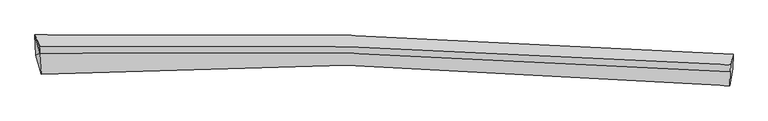
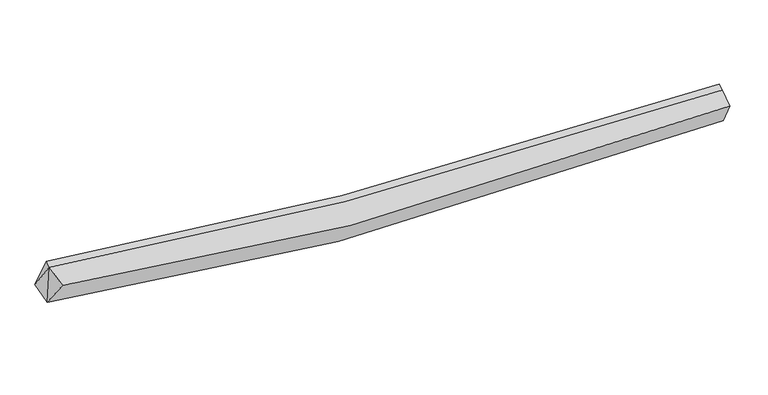
"""IFC4 building model written with IfcOpenShell, lengths in millimetres: proxy geometry."""

from ifc_helpers import new_model, si_unit, frame, origin, place, context, project, spatial, source, transform, mapped, element, save
from ifc_brep_helpers import plane_surface, spline_curve, spline_surface, advanced_brep


def generic_models_ce100534(model_context):
    return source(origin(), model_context, "Body", "AdvancedBrep", [
        advanced_brep(
        [(-6695.2481118, -2009.0366114, 3165.0570354), (-6716.7474438, -1578.6916817, 3327.3457428), (8091.5195666, -1989.1011811, 2621.457448), (8083.3649523, -2300.3959242, 2420.5704192), (-6585.6046797, -2407.8407857, 3764.3379179), (8022.6108575, -2656.6347896, 2996.5936919), (-6618.8905489, -1966.6212272, 3932.7858362), (8030.7268605, -2355.5524458, 3187.3027747), (-6612.6152513, -1824.0394301, 3984.9856242), (8037.002158, -2212.9706486, 3239.5025627)],
        [
            (0, 1),
            (1, 2, spline_curve(3, [(-6716.7474438, -1578.6916817, 3327.3457428), (-4528.917561534, -1532.13263943, 2954.890406806), (-2334.489234124, -1533.589575508, 2701.782912626), (2598.035895056, -1644.458917133, 2402.026065038), (5339.696571428, -1779.805148314, 2419.83746095), (8091.5195666, -1989.1011811, 2621.457448)], [4, 2, 4], [0.0, 21.756738031202506, 48.75708849879149])),
            (2, 3),
            (3, 0, spline_curve(3, [(8083.3649523, -2300.3959242, 2420.5704192), (5303.054916963, -2038.689222218, 2100.556623285), (2551.713817397, -1892.125408547, 2033.860268837), (-2364.3312761, -1835.385669749, 2370.859628515), (-4539.194532135, -1884.829712523, 2685.718188357), (-6695.2481118, -2009.0366114, 3165.0570354)], [4, 2, 4], [0.0, 27.000350467588984, 48.75708849879149])),
            (4, 0),
            (3, 5),
            (5, 4, spline_curve(3, [(8022.6108575, -2656.6347896, 2996.5936919), (5290.35049188, -2388.409103087, 2669.610740582), (2577.86874298, -2243.287429515, 2602.181986278), (-2284.600173855, -2203.528053361, 2949.12108125), (-4441.52360466, -2265.718392767, 3272.464577801), (-6585.6046797, -2407.8407857, 3764.3379179)], [4, 2, 4], [0.0, 26.853506755451075, 48.49191890861179])),
            (6, 4),
            (5, 7),
            (7, 6, spline_curve(3, [(8030.7268605, -2355.5524458, 3187.3027747), (5332.305038087, -2157.458089237, 3009.860028425), (2630.690807106, -2029.30589151, 3006.884608661), (-2253.634557094, -1924.190515589, 3316.563777395), (-4435.226130109, -1922.698973602, 3568.033550916), (-6618.8905489, -1966.6212272, 3932.7858362)], [4, 2, 4], [0.0, 26.70367514544404, 48.22135378843682])),
            (8, 6),
            (7, 9),
            (9, 8, spline_curve(3, [(8037.002158, -2212.9706486, 3239.5025627), (5338.580335571, -2014.876291576, 3062.059815777), (2636.966104497, -1886.724093785, 3059.084396185), (-2247.359259326, -1781.608718812, 3368.763565778), (-4428.950832157, -1780.117176501, 3620.233339038), (-6612.6152513, -1824.0394301, 3984.9856242)], [4, 2, 4], [0.0, 26.71121132951059, 48.234962589326905])),
            (1, 8),
            (9, 2),
            (1, 6),
            (6, 0),
        ],
        [
            spline_surface(3, 3, [[(-6695.2481118, -2009.0366114, 3165.0570354), (-4539.194532105, -1884.829712726, 2685.718188623), (-2364.331276397, -1835.385670026, 2370.859628494), (2551.713817766, -1892.125408203, 2033.860268863), (5303.054916782, -2038.689221795, 2100.556623567), (8083.3649523, -2300.3959242, 2420.5704192)], [(-6702.414555803, -1865.588301513, 3219.153271225), (-4535.768875139, -1767.264021648, 2775.442261443), (-2354.383929005, -1734.786971768, 2481.16738995), (2567.154510258, -1809.569911297, 2156.582200824), (5315.268801771, -1952.394530573, 2206.983569263), (8086.083157067, -2196.631009822, 2487.532762137)], [(-6709.580999797, -1722.139991587, 3273.249506975), (-4532.343218166, -1649.698330532, 2865.166334188), (-2344.436581643, -1634.188273494, 2591.475151406), (2582.59520272, -1727.014414376, 2279.304132784), (5327.48268676, -1866.099839385, 2313.410514947), (8088.801361833, -2092.866095478, 2554.495105063)], [(-6716.7474438, -1578.6916817, 3327.3457428), (-4528.9175612, -1532.132639454, 2954.890407008), (-2334.48923425, -1533.589575236, 2701.782912862), (2598.035895213, -1644.45891747, 2402.026064746), (5339.696571749, -1779.805148163, 2419.837460643), (8091.5195666, -1989.1011811, 2621.457448)]], [4, 4], [4, 2, 4], [0.0, 1.4602423385998982], [0.0, 21.756738031202506, 48.75708849879149]),
            spline_surface(3, 3, [[(-6585.6046797, -2407.8407857, 3764.3379179), (-4441.523604528, -2265.718392838, 3272.464577964), (-2284.600174161, -2203.528053512, 2949.121081255), (2577.86874336, -2243.287429328, 2602.181986272), (5290.350492095, -2388.409103284, 2669.610740932), (8022.6108575, -2656.6347896, 2996.5936919)], [(-6622.152490402, -2274.906060912, 3564.577623733), (-4474.080580389, -2138.755499446, 3076.882448183), (-2311.177208246, -2080.813925682, 2756.367263677), (2569.150434822, -2126.233422285, 2412.741413812), (5294.585300328, -2271.835809451, 2479.926035131), (8042.862222437, -2537.888501131, 2804.58593432)], [(-6658.700301098, -2141.971336188, 3364.817329567), (-4506.637556244, -2011.792606118, 2881.300318404), (-2337.754242312, -1958.099797856, 2563.613446072), (2560.432126303, -2009.179415246, 2223.300841324), (5298.820108549, -2155.262515627, 2290.241329369), (8063.113587363, -2419.142212669, 2612.57817678)], [(-6695.2481118, -2009.0366114, 3165.0570354), (-4539.194532105, -1884.829712726, 2685.718188623), (-2364.331276397, -1835.385670026, 2370.859628494), (2551.713817766, -1892.125408203, 2033.860268863), (5303.054916782, -2038.689221795, 2100.556623567), (8083.3649523, -2300.3959242, 2420.5704192)]], [4, 4], [4, 2, 4], [0.0, 2.2204353273930817], [0.0, 21.63841215316071, 48.49191890861179]),
            spline_surface(3, 3, [[(-6618.8905489, -1966.6212272, 3932.7858362), (-4435.226129853, -1922.698973768, 3568.03355106), (-2253.634557234, -1924.190515785, 3316.563777566), (2630.69080728, -2029.305891266, 3006.884608448), (5332.305037837, -2157.458088814, 3009.860028107), (8030.7268605, -2355.5524458, 3187.3027747)], [(-6607.795259172, -2113.694413363, 3876.636530086), (-4437.325288084, -2037.038780121, 3469.510560013), (-2263.956429556, -2017.303028346, 3194.082878789), (2613.083452627, -2100.633070605, 2871.983734383), (5318.320189254, -2234.441760318, 2896.443599058), (8028.021526165, -2455.913227081, 3123.733080443)], [(-6596.699969428, -2260.767599537, 3820.487224014), (-4439.424446297, -2151.378586485, 3370.98756901), (-2274.278301839, -2110.415540951, 3071.601980032), (2595.476098013, -2171.960249989, 2737.082860338), (5304.335340678, -2311.425431779, 2783.027169981), (8025.316191835, -2556.274008319, 3060.163386157)], [(-6585.6046797, -2407.8407857, 3764.3379179), (-4441.523604528, -2265.718392838, 3272.464577964), (-2284.600174161, -2203.528053512, 2949.121081255), (2577.86874336, -2243.287429328, 2602.181986272), (5290.350492095, -2388.409103284, 2669.610740932), (8022.6108575, -2656.6347896, 2996.5936919)]], [4, 4], [4, 2, 4], [0.0, 1.5046745116866256], [0.0, 21.51767864299278, 48.22135378843682]),
            spline_surface(3, 3, [[(-6612.6152513, -1824.0394301, 3984.9856242), (-4428.950832253, -1780.117176668, 3620.23333906), (-2247.359259634, -1781.608718585, 3368.763565566), (2636.96610488, -1886.724094066, 3059.084396448), (5338.580335337, -2014.876291614, 3062.059816107), (8037.002158, -2212.9706486, 3239.5025627)], [(-6614.707017155, -1871.566695826, 3967.585694861), (-4431.042598108, -1827.644442394, 3602.833409721), (-2249.451025489, -1829.135984311, 3351.363636227), (2634.874339025, -1934.251359792, 3041.684467109), (5336.488569482, -2062.40355734, 3044.659886768), (8034.910392145, -2260.497914326, 3222.102633361)], [(-6616.798783045, -1919.093961474, 3950.185765539), (-4433.134363998, -1875.171708042, 3585.433480399), (-2251.542791379, -1876.663250059, 3333.963706906), (2632.782573135, -1981.77862554, 3024.284537787), (5334.396803692, -2109.930823088, 3027.259957446), (8032.818626355, -2308.025180074, 3204.702704039)], [(-6618.8905489, -1966.6212272, 3932.7858362), (-4435.226129853, -1922.698973768, 3568.03355106), (-2253.634557234, -1924.190515785, 3316.563777566), (2630.69080728, -2029.305891266, 3006.884608448), (5332.305037837, -2157.458088814, 3009.860028107), (8030.7268605, -2355.5524458, 3187.3027747)]], [4, 4], [4, 2, 4], [0.0, 0.49857720530305705], [0.0, 21.523751259816315, 48.234962589326905]),
            spline_surface(3, 3, [[(-6716.7474438, -1578.6916817, 3327.3457428), (-4528.9175612, -1532.132639454, 2954.890407008), (-2334.48923425, -1533.589575236, 2701.782912862), (2598.035895213, -1644.45891747, 2402.026064746), (5339.696571749, -1779.805148163, 2419.837460643), (8091.5195666, -1989.1011811, 2621.457448)], [(-6682.036712968, -1660.474264485, 3546.559036596), (-4495.595318219, -1614.794151844, 3176.671384355), (-2305.445909381, -1616.262623037, 2924.1097971), (2611.012631766, -1725.213976353, 2621.04550865), (5339.324492965, -1858.162195987, 2633.911579136), (8073.347097086, -2063.72433694, 2827.472486239)], [(-6647.325982132, -1742.256847315, 3765.772330404), (-4462.273075234, -1697.455664278, 3398.452361713), (-2276.402584503, -1698.935670785, 3146.436681328), (2623.989368327, -1805.969035183, 2840.064952544), (5338.952414121, -1936.51924379, 2847.985697613), (8055.174627514, -2138.34749276, 3033.487524461)], [(-6612.6152513, -1824.0394301, 3984.9856242), (-4428.950832253, -1780.117176668, 3620.23333906), (-2247.359259634, -1781.608718585, 3368.763565566), (2636.96610488, -1886.724094066, 3059.084396448), (5338.580335337, -2014.876291614, 3062.059816107), (8037.002158, -2212.9706486, 3239.5025627)]], [4, 4], [4, 2, 4], [0.0, 2.3188546650020943], [0.0, 21.653098584247587, 48.524831361719755]),
            plane_surface(frame((8053.044879, -2302.9309979, 2893.0853793), z_axis=(0.9957225379434969, -0.06708336844398387, 0.06353305525134428), x_axis=(-0.02276631066432411, -0.8445701868521942, -0.5349606476921319))),
            plane_surface(frame((-6649.417748, -1789.784113, 3748.3724011), z_axis=(-0.9883115821182409, -0.012136991353969069, 0.1519635156602188), x_axis=(0.1348470702805106, -0.5345679803909424, 0.8342981133728591))),
            plane_surface(frame((-6633.2477801, -2127.8328748, 3620.7269298), z_axis=(-0.9879084938607376, -0.11445467785053565, 0.10457979955966121), x_axis=(0.15057785637569268, -0.5476942534126624, 0.823017201489767))),
            plane_surface(frame((-6676.9620348, -1851.4498401, 3475.0628715), z_axis=(-0.990692860827158, -0.08849539427401497, 0.10342253477065877), x_axis=(0.04669393926678722, -0.9346569466561852, -0.35247137203337064))),
        ],
        [
            (0, [[1, 2, 3, 4]]),
            (1, [[5, -4, 6, 7]]),
            (2, [[8, -7, 9, 10]]),
            (3, [[11, -10, 12, 13]]),
            (4, [[14, -13, 15, -2]]),
            (5, [[-9, -6, -3, -15, -12]]),
            (6, [[16, -11, -14]]),
            (7, [[-5, -8, 17]]),
            (8, [[-1, -17, -16]]),
        ],
    ),
    ])


if __name__ == "__main__":
    model = new_model("IFC4")
    model_context = context("Model", 3, world=origin())
    ifc_project = project(units=[si_unit("LENGTHUNIT", "METRE", prefix="MILLI")], contexts=[model_context])
    site = spatial("IfcSite", under=ifc_project)
    building = spatial("IfcBuilding", under=site)
    placement = place(None, origin())
    generic_models_shape = generic_models_ce100534(model_context)
    element("IfcBuildingElementProxy", 1, Name="Generic Models", at=placement, inside=building, context=model_context, shape_type="MappedRepresentation", body=[
        mapped(generic_models_shape, transform((0.0, 0.0, 0.0), x_axis=(1.0, 0.0, 0.0), y_axis=(0.0, 1.0, 0.0), z_axis=(0.0, 0.0, 1.0))),
    ])
    save(model, "model.ifc")
